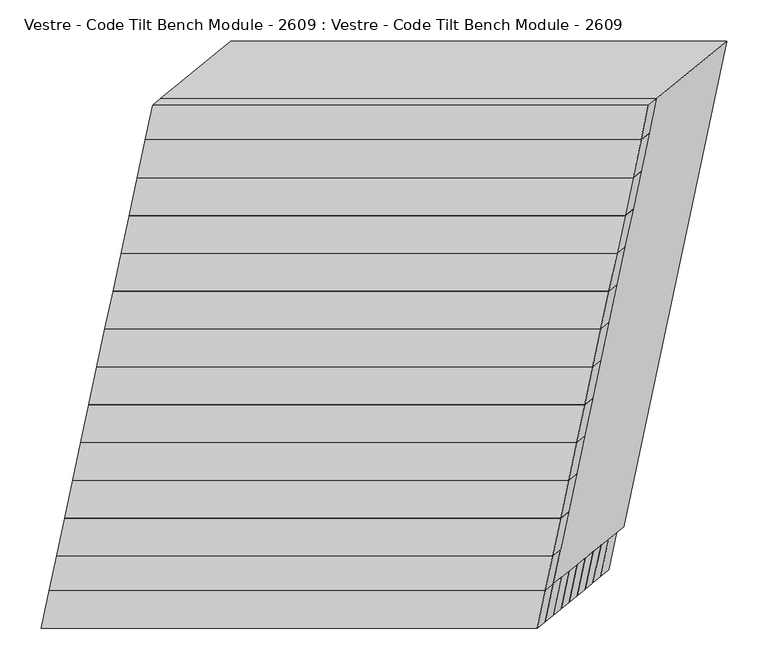
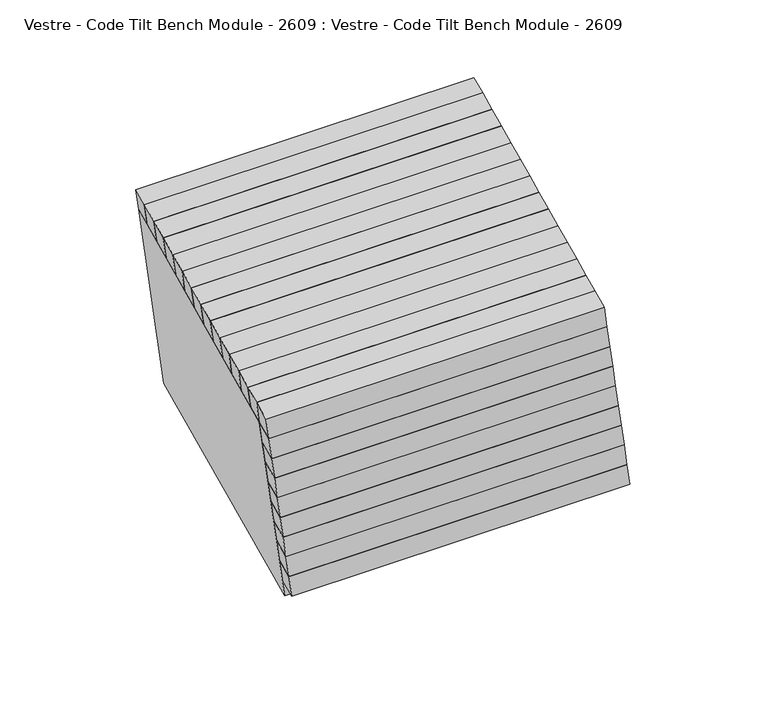
"""IFC4 building model written with IfcOpenShell, lengths in millimetres: furniture geometry, Vestre - Code Tilt Bench Module - 2609 : Vestre - Code Tilt Bench Module - 2609."""

from ifc_helpers import new_model, si_unit, point, frame, frame_2d, origin, origin_with_axes, place, context, project, spatial, circle_curve, trimmed, segment, composite_curve, outline, extrude, faceted_brep, source, transform, mapped, element, save


def vestre_code_tilt_bench_module_2609_vestre_code_tilt_bench_ceb663ce(model_context):
    return source(origin(), model_context, "Body", "SolidModel", [
        faceted_brep([(-447.3220091, -362.9784336, 419.8134138), (-457.0790396, -408.8816531, 419.8134138), (142.9209604, -408.8816531, 419.8134138), (152.6779909, -362.9784336, 419.8134138), (-437.6805725, -355.103719, 374.7462265), (162.3194275, -355.103719, 374.7462265), (152.5623969, -401.0069385, 374.7462265), (-447.4376031, -401.0069385, 374.7462265)], [[[0, 1, 2, 3]], [[4, 5, 6, 7]], [[5, 4, 0, 3]], [[6, 5, 3, 2]], [[7, 6, 2, 1]], [[4, 7, 1, 0]]]),
        faceted_brep([(-341.1105248, 174.1919917, 465.0), (-350.8347915, 128.4429141, 465.0), (249.1652085, 128.4429141, 465.0), (258.8894752, 174.1919917, 465.0), (-331.4646537, 182.0875693, 419.8134138), (268.5353463, 182.0875693, 419.8134138), (258.8110797, 136.3384916, 419.8134138), (-341.1889203, 136.3384916, 419.8134138)], [[[0, 1, 2, 3]], [[4, 5, 6, 7]], [[5, 4, 0, 3]], [[6, 5, 3, 2]], [[7, 6, 2, 1]], [[4, 7, 1, 0]]]),
        faceted_brep([(-350.8347915, 128.4429141, 465.0), (-360.5590581, 82.6938364, 465.0), (239.4409419, 82.6938364, 465.0), (249.1652085, 128.4429141, 465.0), (-341.1889203, 136.3384916, 419.8134138), (258.8110797, 136.3384916, 419.8134138), (249.086813, 90.5894139, 419.8134138), (-350.913187, 90.5894139, 419.8134138)], [[[0, 1, 2, 3]], [[4, 5, 6, 7]], [[5, 4, 0, 3]], [[6, 5, 3, 2]], [[7, 6, 2, 1]], [[4, 7, 1, 0]]]),
        faceted_brep([(-360.5590581, 82.6938364, 465.0), (-370.2833247, 36.9447587, 465.0), (229.7166753, 36.9447587, 465.0), (239.4409419, 82.6938364, 465.0), (-350.913187, 90.5894139, 419.8134138), (249.086813, 90.5894139, 419.8134138), (239.3625464, 44.8403363, 419.8134138), (-360.6374536, 44.8403363, 419.8134138)], [[[0, 1, 2, 3]], [[4, 5, 6, 7]], [[5, 4, 0, 3]], [[6, 5, 3, 2]], [[7, 6, 2, 1]], [[4, 7, 1, 0]]]),
        faceted_brep([(-370.2833247, 36.9447587, 465.0), (-380.0075914, -8.8043189, 465.0), (219.9924086, -8.8043189, 465.0), (229.7166753, 36.9447587, 465.0), (-360.6374536, 44.8403363, 419.8134138), (239.3625464, 44.8403363, 419.8134138), (229.6382797, -0.9087414, 419.8134138), (-370.3617203, -0.9087414, 419.8134138)], [[[0, 1, 2, 3]], [[4, 5, 6, 7]], [[5, 4, 0, 3]], [[6, 5, 3, 2]], [[7, 6, 2, 1]], [[4, 7, 1, 0]]]),
        faceted_brep([(-380.0075914, -8.8043189, 465.0), (-389.731858, -54.5533966, 465.0), (210.268142, -54.5533966, 465.0), (219.9924086, -8.8043189, 465.0), (-370.3617203, -0.9087414, 419.8134138), (229.6382797, -0.9087414, 419.8134138), (219.9140131, -46.657819, 419.8134138), (-380.0859869, -46.657819, 419.8134138)], [[[0, 1, 2, 3]], [[4, 5, 6, 7]], [[5, 4, 0, 3]], [[6, 5, 3, 2]], [[7, 6, 2, 1]], [[4, 7, 1, 0]]]),
        faceted_brep([(-389.731858, -54.5533966, 465.0), (-399.4561247, -100.3024742, 465.0), (200.5438753, -100.3024742, 465.0), (210.268142, -54.5533966, 465.0), (-380.0859869, -46.657819, 419.8134138), (219.9140131, -46.657819, 419.8134138), (210.1897464, -92.4068967, 419.8134138), (-389.8102536, -92.4068967, 419.8134138)], [[[0, 1, 2, 3]], [[4, 5, 6, 7]], [[5, 4, 0, 3]], [[6, 5, 3, 2]], [[7, 6, 2, 1]], [[4, 7, 1, 0]]]),
        faceted_brep([(-399.4561247, -100.3024742, 465.0), (-409.1803913, -146.0515519, 465.0), (190.8196087, -146.0515519, 465.0), (200.5438753, -100.3024742, 465.0), (-389.8102536, -92.4068967, 419.8134138), (210.1897464, -92.4068967, 419.8134138), (200.4654798, -138.1559744, 419.8134138), (-399.5345202, -138.1559744, 419.8134138)], [[[0, 1, 2, 3]], [[4, 5, 6, 7]], [[5, 4, 0, 3]], [[6, 5, 3, 2]], [[7, 6, 2, 1]], [[4, 7, 1, 0]]]),
        faceted_brep([(-409.1803913, -146.0515519, 465.0), (-418.904658, -191.8006296, 465.0), (181.095342, -191.8006296, 465.0), (190.8196087, -146.0515519, 465.0), (-399.5345202, -138.1559744, 419.8134138), (200.4654798, -138.1559744, 419.8134138), (190.7412131, -183.905052, 419.8134138), (-409.2587869, -183.905052, 419.8134138)], [[[0, 1, 2, 3]], [[4, 5, 6, 7]], [[5, 4, 0, 3]], [[6, 5, 3, 2]], [[7, 6, 2, 1]], [[4, 7, 1, 0]]]),
        faceted_brep([(-418.904658, -191.8006296, 465.0), (-428.6289246, -237.5497072, 465.0), (171.3710754, -237.5497072, 465.0), (181.095342, -191.8006296, 465.0), (-409.2587869, -183.905052, 419.8134138), (190.7412131, -183.905052, 419.8134138), (181.0169465, -229.6541297, 419.8134138), (-418.9830535, -229.6541297, 419.8134138)], [[[0, 1, 2, 3]], [[4, 5, 6, 7]], [[5, 4, 0, 3]], [[6, 5, 3, 2]], [[7, 6, 2, 1]], [[4, 7, 1, 0]]]),
        faceted_brep([(-428.6289246, -237.5497072, 465.0), (-438.3531913, -283.2987849, 465.0), (161.6468087, -283.2987849, 465.0), (171.3710754, -237.5497072, 465.0), (-418.9830535, -229.6541297, 419.8134138), (181.0169465, -229.6541297, 419.8134138), (171.2926799, -275.4032074, 419.8134138), (-428.7073201, -275.4032074, 419.8134138)], [[[0, 1, 2, 3]], [[4, 5, 6, 7]], [[5, 4, 0, 3]], [[6, 5, 3, 2]], [[7, 6, 2, 1]], [[4, 7, 1, 0]]]),
        faceted_brep([(-438.3531913, -283.2987849, 465.0), (-448.0774579, -329.0478626, 465.0), (151.9225421, -329.0478626, 465.0), (161.6468087, -283.2987849, 465.0), (-428.7073201, -275.4032074, 419.8134138), (171.2926799, -275.4032074, 419.8134138), (161.5684132, -321.152285, 419.8134138), (-438.4315868, -321.152285, 419.8134138)], [[[0, 1, 2, 3]], [[4, 5, 6, 7]], [[5, 4, 0, 3]], [[6, 5, 3, 2]], [[7, 6, 2, 1]], [[4, 7, 1, 0]]]),
        faceted_brep([(-332.2201025, 216.0181403, 465.0), (-341.1105248, 174.1919917, 465.0), (258.8894752, 174.1919917, 465.0), (267.7798975, 216.0181403, 465.0), (-322.5749946, 223.9101268, 419.8134138), (277.4250054, 223.9101268, 419.8134138), (268.5353463, 182.0875693, 419.8134138), (-331.4646537, 182.0875693, 419.8134138)], [[[0, 1, 2, 3]], [[4, 5, 6, 7]], [[5, 4, 0, 3]], [[6, 5, 3, 2]], [[7, 6, 2, 1]], [[4, 7, 1, 0]]]),
        extrude(outline(composite_curve([segment(trimmed(circle_curve(frame_2d((-282.0328456, -228.5027868)), 5.0), [point((-287.0328456, -228.5027868))], [point((-277.0328456, -228.5027868))], False, "CARTESIAN"), True, "CONTINUOUS"), segment(trimmed(circle_curve(frame_2d((-282.0328456, -228.5027868)), 5.0), [point((-277.0328456, -228.5027868))], [point((-287.0328456, -228.5027868))], False, "CARTESIAN"), True, "CONTINUOUS")], self_intersect=False)), frame((0.0, 0.0, 5.0), z_axis=(0.0, 0.0, 1.0), x_axis=(1.0, 0.0, 0.0)), (0.0, 0.0, 1.0), 16.8677277),
        extrude(outline(composite_curve([segment(trimmed(circle_curve(frame_2d((184.9661106, -228.5027868)), 5.0), [point((179.9661106, -228.5027868))], [point((189.9661106, -228.5027868))], False, "CARTESIAN"), True, "CONTINUOUS"), segment(trimmed(circle_curve(frame_2d((184.9661106, -228.5027868)), 5.0), [point((189.9661106, -228.5027868))], [point((179.9661106, -228.5027868))], False, "CARTESIAN"), True, "CONTINUOUS")], self_intersect=False)), frame((0.0, 0.0, 5.0), z_axis=(0.0, 0.0, 1.0), x_axis=(1.0, 0.0, 0.0)), (0.0, 0.0, 1.0), 16.8677277),
        extrude(outline(composite_curve([segment(trimmed(circle_curve(frame_2d((282.1707135, 228.4385142)), 5.0), [point((277.1707135, 228.4385142))], [point((287.1707135, 228.4385142))], False, "CARTESIAN"), True, "CONTINUOUS"), segment(trimmed(circle_curve(frame_2d((282.1707135, 228.4385142)), 5.0), [point((287.1707135, 228.4385142))], [point((277.1707135, 228.4385142))], False, "CARTESIAN"), True, "CONTINUOUS")], self_intersect=False)), frame((0.0, 0.0, 5.0), z_axis=(0.0, 0.0, 1.0), x_axis=(1.0, 0.0, 0.0)), (0.0, 0.0, 1.0), 16.8677277),
        extrude(outline(composite_curve([segment(trimmed(circle_curve(frame_2d((-184.8930564, 228.4385142)), 5.0), [point((-189.8930564, 228.4385142))], [point((-179.8930564, 228.4385142))], False, "CARTESIAN"), True, "CONTINUOUS"), segment(trimmed(circle_curve(frame_2d((-184.8930564, 228.4385142)), 5.0), [point((-179.8930564, 228.4385142))], [point((-189.8930564, 228.4385142))], False, "CARTESIAN"), True, "CONTINUOUS")], self_intersect=False)), frame((0.0, 0.0, 5.0), z_axis=(0.0, 0.0, 1.0), x_axis=(1.0, 0.0, 0.0)), (0.0, 0.0, 1.0), 16.8677277),
        faceted_brep([(152.6779909, -362.9784336, 419.8134138), (277.4250054, 223.9101268, 419.8134138), (-322.5749946, 223.9101268, 419.8134138), (-447.3220091, -362.9784336, 419.8134138), (111.5950883, -312.2208839, 419.8134138), (-384.6614061, -312.2208839, 419.8134138), (-279.0561813, 184.6126361, 419.8134138), (217.200313, 184.6126361, 419.8134138), (237.6264928, -293.4442802, 21.8677277), (-362.3735072, -293.4442802, 21.8677277), (-237.6264928, 293.4442802, 21.8677277), (362.3735072, 293.4442802, 21.8677277), (-299.7129042, -242.6867305, 21.8677277), (196.5435902, -242.6867305, 21.8677277), (300.1061699, 244.5369002, 21.8677277), (-196.1503245, 244.5369002, 21.8677277), (-393.776434, -355.103719, 374.7462265), (112.2821604, -355.103719, 374.7462265), (183.8977101, -302.1809189, 71.8677277), (-322.1608844, -302.1809189, 71.8677277), (115.1443609, -309.3156453, 403.1866612), (-381.1121334, -309.3156453, 403.1866612), (-303.7973866, -246.0300623, 41.0016985), (192.4591078, -246.0300623, 41.0016985), (-275.5922534, 187.1163595, 403.1866612), (-200.1365927, 241.6556298, 41.0016985), (220.664241, 187.1163595, 403.1866612), (296.1199017, 241.6556298, 41.0016985), (127.6313712, -332.9707916, 403.1866612), (-414.2091441, -332.9707916, 403.1866612), (-298.365818, 212.0292084, 403.1866612), (243.4746973, 212.0292084, 403.1866612), (225.4868228, -272.8781405, 41.0016985), (340.8394593, 269.8133464, 41.0016985), (-228.3217228, 269.8133464, 41.0016985), (-343.6743593, -272.8781405, 41.0016985), (117.9896611, -328.2520393, 374.7462265), (-388.0689333, -328.2520393, 374.7462265), (-317.0209312, -277.9993402, 71.8677277), (189.0376633, -277.9993402, 71.8677277)], [[[0, 1, 2, 3], [4, 5, 6, 7]], [[8, 9, 10, 11], [12, 13, 14, 15]], [[0, 3, 9, 8], [16, 17, 18, 19]], [[3, 2, 10, 9]], [[2, 1, 11, 10]], [[1, 0, 8, 11]], [[5, 4, 20, 21]], [[13, 12, 22, 23]], [[6, 5, 21, 24]], [[12, 15, 25, 22]], [[7, 6, 24, 26]], [[15, 14, 27, 25]], [[4, 7, 26, 20]], [[14, 13, 23, 27]], [[28, 29, 30, 31], [21, 20, 26, 24]], [[32, 33, 34, 35], [23, 22, 25, 27]], [[29, 28, 32, 35], [36, 37, 38, 39]], [[30, 29, 35, 34]], [[31, 30, 34, 33]], [[28, 31, 33, 32]], [[16, 37, 36, 17]], [[38, 19, 18, 39]], [[37, 16, 19, 38]], [[17, 36, 39, 18]]]),
        faceted_brep([(-379.9793258, -307.8554313, 104.3431028), (-389.7363564, -353.7586508, 104.3431028), (210.2636436, -353.7586508, 104.3431028), (220.0206742, -307.8554313, 104.3431028), (-370.3378893, -299.9807166, 59.2759155), (229.6621107, -299.9807166, 59.2759155), (219.9050802, -345.8839362, 59.2759155), (-380.0949198, -345.8839362, 59.2759155)], [[[0, 1, 2, 3]], [[4, 5, 6, 7]], [[5, 4, 0, 3]], [[6, 5, 3, 2]], [[7, 6, 2, 1]], [[4, 7, 1, 0]]]),
        faceted_brep([(-389.6207624, -315.7301459, 149.4102901), (-399.3777929, -361.6333654, 149.4102901), (200.6222071, -361.6333654, 149.4102901), (210.3792376, -315.7301459, 149.4102901), (-379.9793258, -307.8554313, 104.3431028), (220.0206742, -307.8554313, 104.3431028), (210.2636436, -353.7586508, 104.3431028), (-389.7363564, -353.7586508, 104.3431028)], [[[0, 1, 2, 3]], [[4, 5, 6, 7]], [[5, 4, 0, 3]], [[6, 5, 3, 2]], [[7, 6, 2, 1]], [[4, 7, 1, 0]]]),
        faceted_brep([(-399.2411457, -323.6048605, 194.4774774), (-408.9981763, -369.50808, 194.4774774), (191.0018237, -369.50808, 194.4774774), (200.7588543, -323.6048605, 194.4774774), (-389.5997092, -315.7301459, 149.4102901), (210.4002908, -315.7301459, 149.4102901), (200.6432603, -361.6333654, 149.4102901), (-399.3567397, -361.6333654, 149.4102901)], [[[0, 1, 2, 3]], [[4, 5, 6, 7]], [[5, 4, 0, 3]], [[6, 5, 3, 2]], [[7, 6, 2, 1]], [[4, 7, 1, 0]]]),
        faceted_brep([(-408.8615291, -331.4795751, 239.5446646), (-418.6185596, -377.3827947, 239.5446646), (181.3814404, -377.3827947, 239.5446646), (191.1384709, -331.4795751, 239.5446646), (-399.2200925, -323.6048605, 194.4774774), (200.7799075, -323.6048605, 194.4774774), (191.022877, -369.50808, 194.4774774), (-408.977123, -369.50808, 194.4774774)], [[[0, 1, 2, 3]], [[4, 5, 6, 7]], [[5, 4, 0, 3]], [[6, 5, 3, 2]], [[7, 6, 2, 1]], [[4, 7, 1, 0]]]),
        faceted_brep([(-418.4819124, -339.3542897, 284.6118519), (-428.2389429, -385.2575093, 284.6118519), (171.7610571, -385.2575093, 284.6118519), (181.5180876, -339.3542897, 284.6118519), (-408.8404758, -331.4795751, 239.5446646), (191.1595242, -331.4795751, 239.5446646), (181.4024937, -377.3827947, 239.5446646), (-418.5975063, -377.3827947, 239.5446646)], [[[0, 1, 2, 3]], [[4, 5, 6, 7]], [[5, 4, 0, 3]], [[6, 5, 3, 2]], [[7, 6, 2, 1]], [[4, 7, 1, 0]]]),
        faceted_brep([(-428.1022957, -347.2290044, 329.6790392), (-437.8593262, -393.1322239, 329.6790392), (162.1406738, -393.1322239, 329.6790392), (171.8977043, -347.2290044, 329.6790392), (-418.4608591, -339.3542897, 284.6118519), (181.5391409, -339.3542897, 284.6118519), (171.7821103, -385.2575093, 284.6118519), (-428.2178897, -385.2575093, 284.6118519)], [[[0, 1, 2, 3]], [[4, 5, 6, 7]], [[5, 4, 0, 3]], [[6, 5, 3, 2]], [[7, 6, 2, 1]], [[4, 7, 1, 0]]]),
        faceted_brep([(-437.6805725, -355.103719, 374.7462265), (-447.4376031, -401.0069385, 374.7462265), (152.5623969, -401.0069385, 374.7462265), (162.3194275, -355.103719, 374.7462265), (-428.039136, -347.2290044, 329.6790392), (171.960864, -347.2290044, 329.6790392), (162.2038335, -393.1322239, 329.6790392), (-437.7961665, -393.1322239, 329.6790392)], [[[0, 1, 2, 3]], [[4, 5, 6, 7]], [[5, 4, 0, 3]], [[6, 5, 3, 2]], [[7, 6, 2, 1]], [[4, 7, 1, 0]]]),
        faceted_brep([(-448.0774579, -329.0478626, 465.0), (-456.9678803, -370.8740111, 465.0), (143.0321197, -370.8740111, 465.0), (151.9225421, -329.0478626, 465.0), (-438.4315868, -321.152285, 419.8134138), (161.5684132, -321.152285, 419.8134138), (152.6779909, -362.9784336, 419.8134138), (-447.3220091, -362.9784336, 419.8134138)], [[[0, 1, 2, 3]], [[4, 5, 6, 7]], [[5, 4, 0, 3]], [[6, 5, 3, 2]], [[7, 6, 2, 1]], [[4, 7, 1, 0]]]),
        faceted_brep([(-456.9678803, -370.8740111, 465.0), (-466.7241475, -416.7736396, 465.0), (133.2758525, -416.7736396, 465.0), (143.0321197, -370.8740111, 465.0), (-447.3220091, -362.9784336, 419.8134138), (152.6779909, -362.9784336, 419.8134138), (142.9209604, -408.8816531, 419.8134138), (-457.0790396, -408.8816531, 419.8134138)], [[[0, 1, 2, 3]], [[4, 5, 6, 7]], [[5, 4, 0, 3]], [[6, 5, 3, 2]], [[7, 6, 2, 1]], [[4, 7, 1, 0]]]),
        extrude(outline(composite_curve([segment(trimmed(circle_curve(frame_2d((-281.9772057, -228.2596966)), 40.0), [point((-321.9772057, -228.2596966))], [point((-241.9772057, -228.2596966))], False, "CARTESIAN"), True, "CONTINUOUS"), segment(trimmed(circle_curve(frame_2d((-281.9772057, -228.2596966)), 40.0), [point((-241.9772057, -228.2596966))], [point((-321.9772057, -228.2596966))], False, "CARTESIAN"), True, "CONTINUOUS")], self_intersect=False)), origin_with_axes(), (0.0, 0.0, 1.0), 5.0),
        extrude(outline(composite_curve([segment(trimmed(circle_curve(frame_2d((185.0217505, -228.2596966)), 40.0), [point((145.0217505, -228.2596966))], [point((225.0217505, -228.2596966))], False, "CARTESIAN"), True, "CONTINUOUS"), segment(trimmed(circle_curve(frame_2d((185.0217505, -228.2596966)), 40.0), [point((225.0217505, -228.2596966))], [point((145.0217505, -228.2596966))], False, "CARTESIAN"), True, "CONTINUOUS")], self_intersect=False)), origin_with_axes(), (0.0, 0.0, 1.0), 5.0),
        extrude(outline(composite_curve([segment(trimmed(circle_curve(frame_2d((282.2263535, 228.6816045)), 40.0), [point((242.2263535, 228.6816045))], [point((322.2263535, 228.6816045))], False, "CARTESIAN"), True, "CONTINUOUS"), segment(trimmed(circle_curve(frame_2d((282.2263535, 228.6816045)), 40.0), [point((322.2263535, 228.6816045))], [point((242.2263535, 228.6816045))], False, "CARTESIAN"), True, "CONTINUOUS")], self_intersect=False)), origin_with_axes(), (0.0, 0.0, 1.0), 5.0),
        extrude(outline(composite_curve([segment(trimmed(circle_curve(frame_2d((-184.8374164, 228.6816045)), 40.0), [point((-224.8374164, 228.6816045))], [point((-144.8374164, 228.6816045))], False, "CARTESIAN"), True, "CONTINUOUS"), segment(trimmed(circle_curve(frame_2d((-184.8374164, 228.6816045)), 40.0), [point((-144.8374164, 228.6816045))], [point((-224.8374164, 228.6816045))], False, "CARTESIAN"), True, "CONTINUOUS")], self_intersect=False)), origin_with_axes(), (0.0, 0.0, 1.0), 5.0),
    ])


if __name__ == "__main__":
    model = new_model("IFC4")
    model_context = context("Model", 3, world=origin())
    ifc_project = project(units=[si_unit("LENGTHUNIT", "METRE", prefix="MILLI")], contexts=[model_context])
    site = spatial("IfcSite", under=ifc_project)
    building = spatial("IfcBuilding", under=site)
    placement = place(None, origin())
    vestre_code_tilt_bench_module_2609_vestre_code_tilt_bench_shape = vestre_code_tilt_bench_module_2609_vestre_code_tilt_bench_ceb663ce(model_context)
    element("IfcFurniture", 1, ObjectType="Vestre - Code Tilt Bench Module - 2609 : Vestre - Code Tilt Bench Module - 2609", at=placement, inside=building, context=model_context, shape_type="MappedRepresentation", body=[
        mapped(vestre_code_tilt_bench_module_2609_vestre_code_tilt_bench_shape, transform((0.0, 0.0, 0.0), x_axis=(1.0, 0.0, 0.0), y_axis=(0.0, 1.0, 0.0), z_axis=(0.0, 0.0, 1.0))),
    ])
    save(model, "model.ifc")
